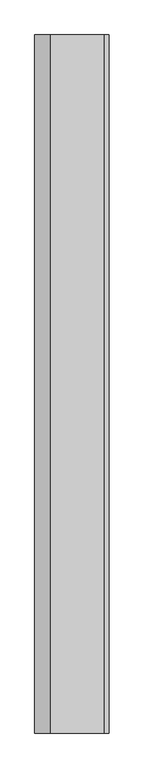
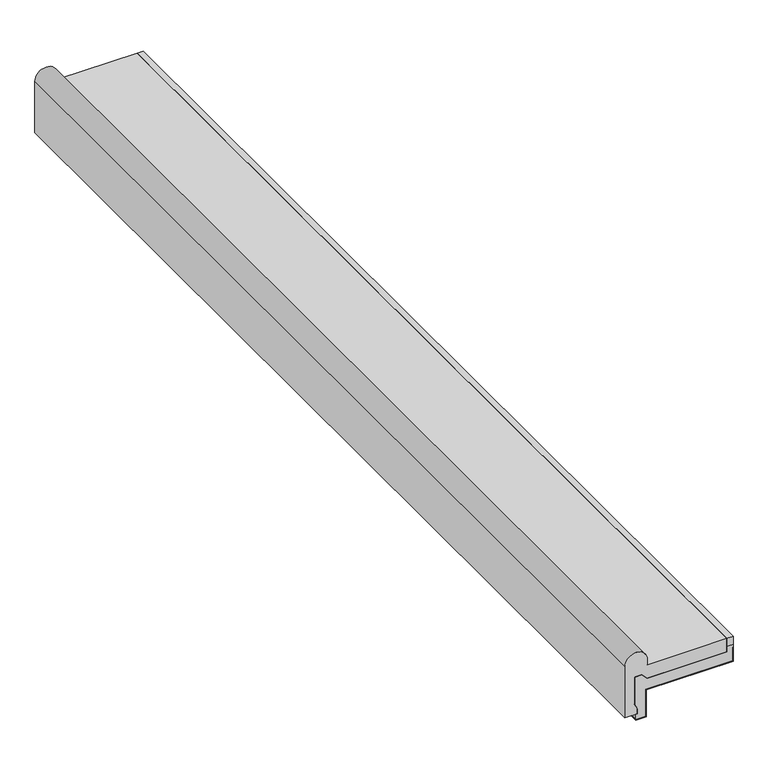
"""IFC4 building model written with IfcOpenShell, lengths in millimetres: proxy geometry."""

from ifc_helpers import new_model, si_unit, point, frame, frame_2d, origin, place, context, project, spatial, polyline, circle_curve, trimmed, segment, composite_curve, outline, extrude, source, transform, mapped, element, save


def generic_models_59e24827(model_context):
    return source(origin(), model_context, "Body", "SweptSolid", [
        extrude(outline(polyline([(180.0, 898.794193), (191.0, 898.794193), (191.0, -898.794193), (180.0, -898.794193), (180.0, 898.794193)])), frame((0.0, 0.0, 81.0), z_axis=(0.0, 0.0, 1.0), x_axis=(1.0, 0.0, 0.0)), (0.0, 0.0, 1.0), 15.0),
        extrude(outline(polyline([(51.0, 190.0), (51.0, 37.5062786), (1.0, 37.5062786), (1.0, 20.0), (0.0, 20.0), (0.0, 38.5062786), (50.0, 38.5062786), (50.0, 191.0), (76.0, 191.0), (76.0, 190.0), (51.0, 190.0)])), frame((0.0, -898.794193, 0.0), z_axis=(0.0, 1.0, 0.0), x_axis=(0.0, 0.0, 1.0)), (0.0, 0.0, 1.0), 1797.5883861),
        extrude(outline(polyline([(21.0, 22.5), (11.0, 22.5), (11.0, 20.0), (1.0, 20.0), (1.0, 37.5062786), (51.0, 37.5062786), (51.0, 190.0), (76.0, 190.0), (76.0, 191.0), (81.0, 191.0), (81.0, 180.0), (71.0, 180.0), (71.0, 40.0), (81.0, 30.0), (81.0, 17.5062786), (29.6493791, 17.5062786), (21.0, 22.5)])), frame((0.0, -898.794193, 0.0), z_axis=(0.0, 1.0, 0.0), x_axis=(0.0, 0.0, 1.0)), (0.0, 0.0, 1.0), 1797.5883861),
        extrude(outline(composite_curve([segment(polyline([(96.0, 40.0), (106.0, 40.0)]), True, "CONTINUOUS"), segment(trimmed(circle_curve(frame_2d((106.0, 20.0)), 20.0), [point((106.0, 40.0))], [point((106.0, 0.0))], False, "CARTESIAN"), True, "CONTINUOUS"), segment(polyline([(106.0, 0.0), (11.0, 0.0), (11.0, 22.5), (21.0, 22.5), (29.6493791, 17.5062786), (81.0, 17.5062786), (81.0, 30.0), (71.0, 40.0), (71.0, 180.0), (96.0, 180.0), (96.0, 40.0)]), True, "CONTINUOUS")], self_intersect=False)), frame((0.0, -898.794193, 0.0), z_axis=(0.0, 1.0, 0.0), x_axis=(0.0, 0.0, 1.0)), (0.0, 0.0, 1.0), 1797.5883861),
    ])


if __name__ == "__main__":
    model = new_model("IFC4")
    model_context = context("Model", 3, world=origin())
    ifc_project = project(units=[si_unit("LENGTHUNIT", "METRE", prefix="MILLI")], contexts=[model_context])
    site = spatial("IfcSite", under=ifc_project)
    building = spatial("IfcBuilding", under=site)
    placement = place(None, origin())
    generic_models_shape = generic_models_59e24827(model_context)
    element("IfcBuildingElementProxy", 1, Name="Generic Models", at=placement, inside=building, context=model_context, shape_type="MappedRepresentation", body=[
        mapped(generic_models_shape, transform((0.0, 0.0, 0.0), x_axis=(1.0, 0.0, 0.0), y_axis=(0.0, 1.0, 0.0), z_axis=(0.0, 0.0, 1.0))),
    ])
    save(model, "model.ifc")
